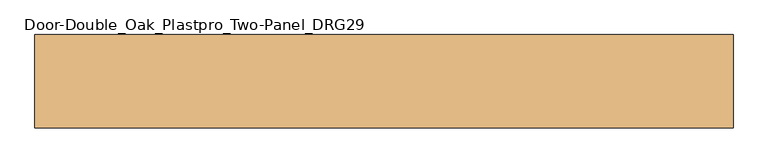
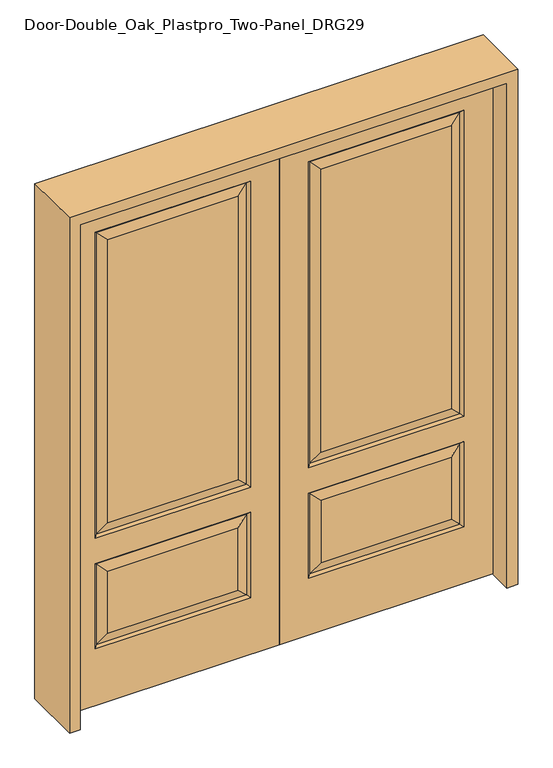
"""IFC4 building model written with IfcOpenShell, lengths in millimetres: door geometry, Door-Double_Oak_Plastpro_Two-Panel_DRG29."""

from ifc_helpers import new_model, si_unit, frame, origin, place, context, project, spatial, polyline, outline, extrude, faceted_brep, source, transform, mapped, element, save


def door_double_oak_plastpro_two_panel_drg29_b593aa1b(model_context):
    return source(origin(), model_context, "Body", "SolidModel", [
        faceted_brep([(692.5796986, -11.6572439, 562.4046986), (120.2203014, -11.6572439, 562.4046986), (157.2775452, -20.6375, 525.3474548), (655.5224548, -20.6375, 525.3474548), (157.2775452, -20.6375, 274.7525452), (120.2203014, -11.6572439, 237.6953014), (0.0, 20.6375, 0.0), (812.8, 20.6375, 0.0), (812.8, -20.6375, 0.0), (0.0, -20.6375, 0.0), (0.0, 20.6375, 2032.0), (0.0, -20.6375, 2032.0), (812.8, -20.6375, 2032.0), (111.2400452, -20.6375, 228.7150452), (111.2400452, -20.6375, 571.3849548), (701.5599548, -20.6375, 571.3849548), (701.5599548, -20.6375, 228.7150452), (111.2400452, -20.6375, 673.2150452), (111.2400452, -20.6375, 1904.8849548), (701.5599548, -20.6375, 1904.8849548), (701.5599548, -20.6375, 673.2150452), (655.5224548, -20.6375, 274.7525452), (655.5224548, -20.6375, 719.2525452), (655.5224548, -20.6375, 1858.8474548), (157.2775452, -20.6375, 1858.8474548), (157.2775452, -20.6375, 719.2525452), (655.5224548, 20.6375, 274.7525452), (655.5224548, 20.6375, 525.3474548), (692.5796986, 11.6572439, 562.4046986), (692.5796986, 11.6572439, 237.6953014), (701.5599548, 20.6375, 571.3849548), (701.5599548, 20.6375, 228.7150452), (120.2203014, 11.6572439, 237.6953014), (120.2203014, 11.6572439, 562.4046986), (157.2775452, 20.6375, 525.3474548), (157.2775452, 20.6375, 274.7525452), (120.2203014, 11.6572439, 682.1953014), (157.2775452, 20.6375, 719.2525452), (655.5224548, 20.6375, 719.2525452), (692.5796986, 11.6572439, 682.1953014), (655.5224548, 20.6375, 1858.8474548), (692.5796986, 11.6572439, 1895.9046986), (111.2400452, 20.6375, 571.3849548), (692.5796986, -11.6572439, 237.6953014), (812.8, 20.6375, 2032.0), (111.2400452, 20.6375, 228.7150452), (701.5599548, 20.6375, 673.2150452), (701.5599548, 20.6375, 1904.8849548), (111.2400452, 20.6375, 1904.8849548), (111.2400452, 20.6375, 673.2150452), (157.2775452, 20.6375, 1858.8474548), (120.2203014, 11.6572439, 1895.9046986), (120.2203014, -11.6572439, 682.1953014), (692.5796986, -11.6572439, 682.1953014), (692.5796986, -11.6572439, 1895.9046986), (120.2203014, -11.6572439, 1895.9046986)], [[[0, 1, 2, 3]], [[4, 2, 1, 5]], [[6, 7, 8, 9]], [[10, 6, 9, 11]], [[11, 9, 8, 12], [13, 14, 15, 16], [17, 18, 19, 20]], [[21, 3, 2, 4]], [[22, 23, 24, 25]], [[26, 27, 28, 29]], [[29, 28, 30, 31]], [[32, 33, 34, 35]], [[36, 37, 38, 39]], [[38, 40, 41, 39]], [[28, 33, 42, 30]], [[16, 15, 0, 43]], [[15, 14, 1, 0]], [[12, 8, 7, 44]], [[44, 7, 6, 10], [31, 30, 42, 45], [46, 47, 48, 49]], [[37, 50, 40, 38]], [[35, 34, 27, 26]], [[10, 11, 12, 44]], [[49, 48, 51, 36]], [[29, 31, 45, 32]], [[36, 51, 50, 37]], [[45, 42, 33, 32]], [[39, 46, 49, 36]], [[39, 41, 47, 46]], [[32, 35, 26, 29]], [[27, 34, 33, 28]], [[52, 17, 20, 53]], [[20, 19, 54, 53]], [[52, 55, 18, 17]], [[53, 22, 25, 52]], [[25, 24, 55, 52]], [[53, 54, 23, 22]], [[5, 13, 16, 43]], [[5, 1, 14, 13]], [[43, 21, 4, 5]], [[43, 0, 3, 21]], [[19, 18, 55, 54]], [[54, 55, 24, 23]], [[40, 50, 51, 41]], [[41, 51, 48, 47]]]),
        faceted_brep([(-692.5796986, -11.6572439, 562.4046986), (-655.5224548, -20.6375, 525.3474548), (-157.2775452, -20.6375, 525.3474548), (-120.2203014, -11.6572439, 562.4046986), (-157.2775452, -20.6375, 274.7525452), (-120.2203014, -11.6572439, 237.6953014), (0.0, 20.6375, 0.0), (0.0, -20.6375, 0.0), (-812.8, -20.6375, 0.0), (-812.8, 20.6375, 0.0), (0.0, 20.6375, 2032.0), (0.0, -20.6375, 2032.0), (-655.5224548, -20.6375, 719.2525452), (-157.2775452, -20.6375, 719.2525452), (-157.2775452, -20.6375, 1858.8474548), (-655.5224548, -20.6375, 1858.8474548), (-812.8, -20.6375, 2032.0), (-111.2400452, -20.6375, 673.2150452), (-701.5599548, -20.6375, 673.2150452), (-701.5599548, -20.6375, 1904.8849548), (-111.2400452, -20.6375, 1904.8849548), (-111.2400452, -20.6375, 228.7150452), (-701.5599548, -20.6375, 228.7150452), (-701.5599548, -20.6375, 571.3849548), (-111.2400452, -20.6375, 571.3849548), (-655.5224548, -20.6375, 274.7525452), (-655.5224548, 20.6375, 274.7525452), (-692.5796986, 11.6572439, 237.6953014), (-692.5796986, 11.6572439, 562.4046986), (-655.5224548, 20.6375, 525.3474548), (-701.5599548, 20.6375, 228.7150452), (-701.5599548, 20.6375, 571.3849548), (-120.2203014, 11.6572439, 237.6953014), (-157.2775452, 20.6375, 274.7525452), (-157.2775452, 20.6375, 525.3474548), (-120.2203014, 11.6572439, 562.4046986), (-120.2203014, 11.6572439, 682.1953014), (-692.5796986, 11.6572439, 682.1953014), (-655.5224548, 20.6375, 719.2525452), (-157.2775452, 20.6375, 719.2525452), (-692.5796986, 11.6572439, 1895.9046986), (-655.5224548, 20.6375, 1858.8474548), (-111.2400452, 20.6375, 571.3849548), (-692.5796986, -11.6572439, 237.6953014), (-812.8, 20.6375, 2032.0), (-111.2400452, 20.6375, 228.7150452), (-701.5599548, 20.6375, 673.2150452), (-111.2400452, 20.6375, 673.2150452), (-111.2400452, 20.6375, 1904.8849548), (-701.5599548, 20.6375, 1904.8849548), (-157.2775452, 20.6375, 1858.8474548), (-120.2203014, 11.6572439, 1895.9046986), (-120.2203014, -11.6572439, 682.1953014), (-692.5796986, -11.6572439, 682.1953014), (-692.5796986, -11.6572439, 1895.9046986), (-120.2203014, -11.6572439, 1895.9046986)], [[[0, 1, 2, 3]], [[4, 5, 3, 2]], [[6, 7, 8, 9]], [[10, 11, 7, 6]], [[12, 13, 14, 15]], [[11, 16, 8, 7], [17, 18, 19, 20], [21, 22, 23, 24]], [[25, 4, 2, 1]], [[26, 27, 28, 29]], [[27, 30, 31, 28]], [[32, 33, 34, 35]], [[36, 37, 38, 39]], [[38, 37, 40, 41]], [[28, 31, 42, 35]], [[22, 43, 0, 23]], [[23, 0, 3, 24]], [[16, 44, 9, 8]], [[33, 26, 29, 34]], [[44, 10, 6, 9], [30, 45, 42, 31], [46, 47, 48, 49]], [[39, 38, 41, 50]], [[10, 44, 16, 11]], [[47, 36, 51, 48]], [[27, 32, 45, 30]], [[36, 39, 50, 51]], [[45, 32, 35, 42]], [[37, 36, 47, 46]], [[37, 46, 49, 40]], [[32, 27, 26, 33]], [[29, 28, 35, 34]], [[52, 53, 18, 17]], [[18, 53, 54, 19]], [[52, 17, 20, 55]], [[53, 52, 13, 12]], [[13, 52, 55, 14]], [[53, 12, 15, 54]], [[5, 43, 22, 21]], [[5, 21, 24, 3]], [[43, 5, 4, 25]], [[43, 25, 1, 0]], [[19, 54, 55, 20]], [[54, 15, 14, 55]], [[41, 40, 51, 50]], [[40, 49, 48, 51]]]),
        extrude(outline(polyline([(2073.275, -854.075), (0.0, -854.075), (0.0, -812.8), (2032.0, -812.8), (2032.0, 812.8), (0.0, 812.8), (0.0, 854.075), (2073.275, 854.075), (2073.275, -854.075)])), frame((0.0, -114.3, 0.0), z_axis=(0.0, 1.0, 0.0), x_axis=(0.0, 0.0, 1.0)), (0.0, 0.0, 1.0), 228.6),
    ])


if __name__ == "__main__":
    model = new_model("IFC4")
    model_context = context("Model", 3, world=origin())
    ifc_project = project(units=[si_unit("LENGTHUNIT", "METRE", prefix="MILLI")], contexts=[model_context])
    site = spatial("IfcSite", under=ifc_project)
    building = spatial("IfcBuilding", under=site)
    placement = place(None, origin())
    door_double_oak_plastpro_two_panel_drg29_shape = door_double_oak_plastpro_two_panel_drg29_b593aa1b(model_context)
    element("IfcDoor", 1, ObjectType="Door-Double_Oak_Plastpro_Two-Panel_DRG29", at=placement, inside=building, context=model_context, shape_type="MappedRepresentation", body=[
        mapped(door_double_oak_plastpro_two_panel_drg29_shape, transform((0.0, 0.0, 0.0), x_axis=(1.0, 0.0, 0.0), y_axis=(0.0, 1.0, 0.0), z_axis=(0.0, 0.0, 1.0))),
    ])
    save(model, "model.ifc")
